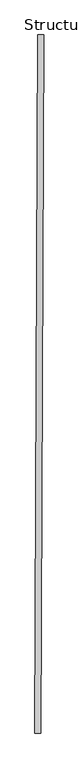
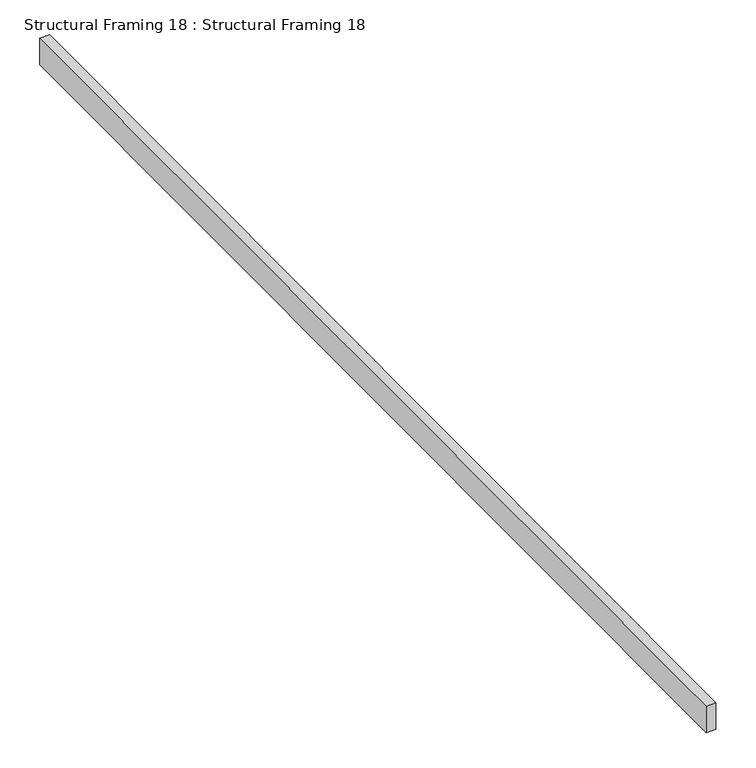
"""IFC4 building model written with IfcOpenShell, lengths in millimetres: beam geometry, Structural Framing 18 : Structural Framing 18."""

from ifc_helpers import new_model, si_unit, frame, origin, place, context, project, spatial, polyline, outline, extrude, source, transform, mapped, element, save


def structural_framing_18_structural_framing_18_e62cbb0c(model_context):
    return source(origin(), model_context, "Body", "SweptSolid", [
        extrude(outline(polyline([(-49231.9413728, 35928.477002), (-49250.2214841, 31445.3438232), (-49288.4025019, 31445.4995074), (-49270.1223906, 35928.6326862), (-49231.9413728, 35928.477002)])), frame((0.0, 0.0, 110435.6127502), z_axis=(0.0, 0.0, 1.0), x_axis=(1.0, 0.0, 0.0)), (0.0, 0.0, 1.0), 108.2430391),
    ])


if __name__ == "__main__":
    model = new_model("IFC4")
    model_context = context("Model", 3, world=origin())
    ifc_project = project(units=[si_unit("LENGTHUNIT", "METRE", prefix="MILLI")], contexts=[model_context])
    site = spatial("IfcSite", under=ifc_project)
    building = spatial("IfcBuilding", under=site)
    placement = place(None, origin())
    structural_framing_18_structural_framing_18_shape = structural_framing_18_structural_framing_18_e62cbb0c(model_context)
    element("IfcBeam", 1, ObjectType="Structural Framing 18 : Structural Framing 18", at=placement, inside=building, context=model_context, shape_type="MappedRepresentation", body=[
        mapped(structural_framing_18_structural_framing_18_shape, transform((0.0, 0.0, 0.0), x_axis=(1.0, 0.0, 0.0), y_axis=(0.0, 1.0, 0.0), z_axis=(0.0, 0.0, 1.0))),
    ])
    save(model, "model.ifc")
